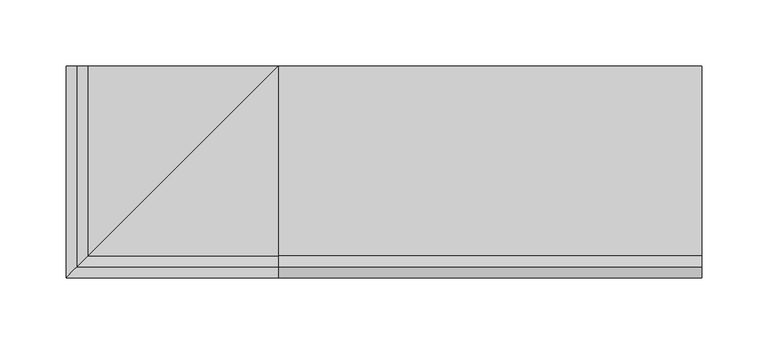
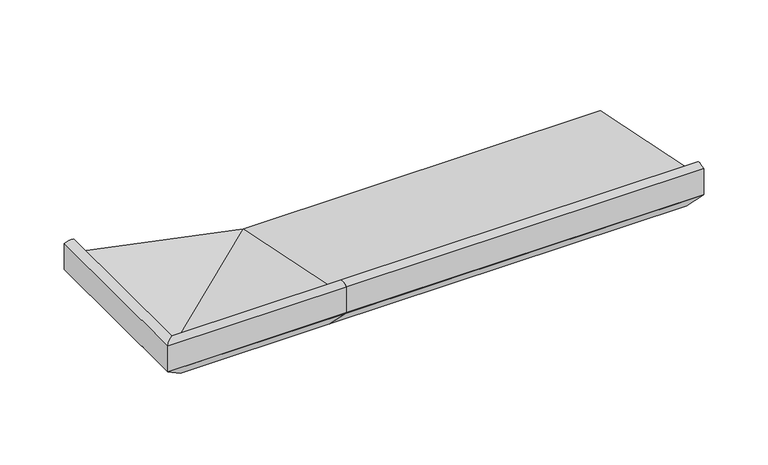
"""IFC4 building model written with IfcOpenShell, lengths in millimetres: proxy geometry."""

import ifcopenshell
import ifcopenshell.guid

model = None  # the IFC model being written
_history = None  # IfcOwnerHistory: only IFC2X3 demands one
_inside = {}  # id of a spatial element -> (the spatial element, [elements in it])
_under = {}  # id of a project, library or spatial element -> (it, [spatial elements below it])
_declared = {}  # id of a project -> (the project, [libraries it declares])
_typed = {}  # id of a type object -> (the type object, [elements of that type])
_made_of = {}  # id of a material, layer set ... -> (it, [elements and type objects made of it])


def new_model(schema):
    """Start an empty IFC model of exactly this schema.

    Asked for "IFC4X3", IfcOpenShell would pick the latest addendum, in which some entities
    have other attributes; the version numbers below select the first issue.
    IFC2X3 requires an IfcOwnerHistory on every rooted entity: one is made here for all.
    """
    global model, _history
    if schema == "IFC4X3":
        model = ifcopenshell.file(schema_version=(4, 3, 0, 0))
    else:
        model = ifcopenshell.file(schema=schema)
    _inside.clear()
    _under.clear()
    _declared.clear()
    _typed.clear()
    _made_of.clear()
    _history = None
    if model.schema == "IFC2X3":
        org = make("IfcOrganization", Name="unknown")
        user = make(
            "IfcPersonAndOrganization",
            ThePerson=make("IfcPerson", FamilyName="unknown"),
            TheOrganization=org,
        )
        app = make(
            "IfcApplication",
            ApplicationDeveloper=org,
            Version="unknown",
            ApplicationFullName="unknown",
            ApplicationIdentifier="unknown",
        )
        _history = make(
            "IfcOwnerHistory",
            OwningUser=user,
            OwningApplication=app,
            ChangeAction="ADDED",
            CreationDate=0,
        )
    return model


def make(cls, **values):
    """One entity of the class cls with the attributes given. An attribute that is None is left unset."""
    return model.create_entity(
        cls, **{name: value for name, value in values.items() if value is not None}
    )


def rooted(cls, **values):
    """An entity with a GlobalId (a new one), such as an element, a storey or a relation."""
    return make(cls, GlobalId=ifcopenshell.guid.new(), OwnerHistory=_history, **values)


def si_unit(unit_type, name, prefix=None):
    """IfcSIUnit, for example si_unit("LENGTHUNIT", "METRE", prefix="MILLI")."""
    return make("IfcSIUnit", UnitType=unit_type, Prefix=prefix, Name=name)


def assignment(units):
    """IfcUnitAssignment: the units of a project."""
    return None if units is None else make("IfcUnitAssignment", Units=units)


def point(xyz):
    """IfcCartesianPoint."""
    return None if xyz is None else make("IfcCartesianPoint", Coordinates=xyz)


def direction(xyz):
    """IfcDirection."""
    return None if xyz is None else make("IfcDirection", DirectionRatios=xyz)


def frame(location, z_axis=None, x_axis=None):
    """IfcAxis2Placement3D, a coordinate frame: its origin and axes. An axis left out is left unset."""
    return make(
        "IfcAxis2Placement3D",
        Location=point(location),
        Axis=direction(z_axis),
        RefDirection=direction(x_axis),
    )


def frame_2d(location, x_axis=None):
    """IfcAxis2Placement2D, a coordinate frame in the plane: its origin and x axis."""
    return make(
        "IfcAxis2Placement2D", Location=point(location), RefDirection=direction(x_axis)
    )


def origin():
    """The frame at (0, 0, 0) with its axes left unset."""
    return frame((0.0, 0.0, 0.0))


def place(relative_to, where):
    """IfcLocalPlacement: puts the frame where relative to a parent placement (None: the world)."""
    return make(
        "IfcLocalPlacement", PlacementRelTo=relative_to, RelativePlacement=where
    )


def context(
    kind, dimensions, precision=None, world=None, true_north=None, identifier=None
):
    """IfcGeometricRepresentationContext, for example the 3D "Model" context."""
    return make(
        "IfcGeometricRepresentationContext",
        ContextIdentifier=identifier,
        ContextType=kind,
        CoordinateSpaceDimension=dimensions,
        Precision=precision,
        WorldCoordinateSystem=world,
        TrueNorth=true_north,
    )


def project(units=None, contexts=None):
    """IfcProject with its units and contexts."""
    return rooted(
        "IfcProject",
        Name="project",
        RepresentationContexts=contexts,
        UnitsInContext=assignment(units),
    )


def spatial(cls, under=None, at=None, **own):
    """A site, building, storey or space (cls), placed at a placement, below another one or the project."""
    s = rooted(cls, ObjectPlacement=at, **own)
    if under is not None:
        _under.setdefault(under.id(), (under, []))[1].append(s)
    return s


def polyline(points):
    """IfcPolyline through the points."""
    return make("IfcPolyline", Points=[point(p) for p in points])


def circle_curve(where, radius):
    """IfcCircle in the frame where."""
    return make("IfcCircle", Position=where, Radius=radius)


def ellipse_curve(where, semi_axis1, semi_axis2):
    """IfcEllipse in the frame where."""
    return make(
        "IfcEllipse", Position=where, SemiAxis1=semi_axis1, SemiAxis2=semi_axis2
    )


def trimmed(basis, trim1, trim2, sense, master):
    """IfcTrimmedCurve: the piece of a basis curve between two trims."""
    return make(
        "IfcTrimmedCurve",
        BasisCurve=basis,
        Trim1=trim1,
        Trim2=trim2,
        SenseAgreement=sense,
        MasterRepresentation=master,
    )


def segment(curve, same_sense, transition):
    """IfcCompositeCurveSegment."""
    return make(
        "IfcCompositeCurveSegment",
        Transition=transition,
        SameSense=same_sense,
        ParentCurve=curve,
    )


def composite_curve(segments, self_intersect=None):
    """IfcCompositeCurve: segments joined end to end."""
    return make("IfcCompositeCurve", Segments=segments, SelfIntersect=self_intersect)


def outline(outer, holes=None, kind="AREA"):
    """IfcArbitraryClosedProfileDef: a profile drawn as a closed curve; with holes, ...WithVoids."""
    if holes is None:
        return make("IfcArbitraryClosedProfileDef", ProfileType=kind, OuterCurve=outer)
    return make(
        "IfcArbitraryProfileDefWithVoids",
        ProfileType=kind,
        OuterCurve=outer,
        InnerCurves=holes,
    )


def extrude(swept, where, along, depth):
    """IfcExtrudedAreaSolid: the profile swept, set in the frame where, extruded along a direction by depth."""
    return make(
        "IfcExtrudedAreaSolid",
        SweptArea=swept,
        Position=where,
        ExtrudedDirection=direction(along),
        Depth=depth,
    )


def shape(context_of_items, identifier, shape_type, items):
    """IfcShapeRepresentation: the items that make up one representation, for example the "Body"."""
    return make(
        "IfcShapeRepresentation",
        ContextOfItems=context_of_items,
        RepresentationIdentifier=identifier,
        RepresentationType=shape_type,
        Items=items,
    )


def source(mapping_origin, context_of_items, identifier, shape_type, items):
    """IfcRepresentationMap: a shape defined once, which mapped items show again and again."""
    return make(
        "IfcRepresentationMap",
        MappingOrigin=mapping_origin,
        MappedRepresentation=shape(context_of_items, identifier, shape_type, items),
    )


def transform(
    local_origin,
    x_axis=None,
    y_axis=None,
    z_axis=None,
    scale=None,
    scale2=None,
    scale3=None,
    uniform=True,
):
    """IfcCartesianTransformationOperator3D, or its non-uniform kind. x_axis, y_axis, z_axis: its Axis1, 2, 3."""
    if uniform:
        return make(
            "IfcCartesianTransformationOperator3D",
            Axis1=direction(x_axis),
            Axis2=direction(y_axis),
            LocalOrigin=point(local_origin),
            Scale=scale,
            Axis3=direction(z_axis),
        )
    return make(
        "IfcCartesianTransformationOperator3DnonUniform",
        Axis1=direction(x_axis),
        Axis2=direction(y_axis),
        LocalOrigin=point(local_origin),
        Scale=scale,
        Axis3=direction(z_axis),
        Scale2=scale2,
        Scale3=scale3,
    )


def mapped(mapping_source, mapping_target):
    """IfcMappedItem: shows the shape of a source again, moved by a transform."""
    return make(
        "IfcMappedItem", MappingSource=mapping_source, MappingTarget=mapping_target
    )


def made_of(thing, what):
    """Note that an element or type object is made of a material, layer set ...; save() writes the relation."""
    if what is not None:
        _made_of.setdefault(what.id(), (what, []))[1].append(thing)
    return thing


def element(
    cls,
    number,
    at=None,
    inside=None,
    cuts=None,
    type_object=None,
    material=None,
    context=None,
    identifier="Body",
    shape_type=None,
    held_by="IfcProductDefinitionShape",
    body=None,
    shapes=None,
    **own,
):
    """One element of the class cls, such as IfcWall. Its Tag is "e" and its number.

    at: its placement. inside: the storey or other place that contains it. cuts: it is an
    opening in that element (IfcRelVoidsElement). A single representation is given by context,
    identifier, shape_type and body (its items); several are given by shapes. held_by: the class
    of the entity that holds the representations. save() writes the other relations.
    """
    e = rooted(cls, Tag="e%d" % number, ObjectPlacement=at, **own)
    if body is not None:
        shapes = [shape(context, identifier, shape_type, body)]
    if shapes is not None:
        e.Representation = make(held_by, Representations=shapes)
    if inside is not None:
        _inside.setdefault(inside.id(), (inside, []))[1].append(e)
    if cuts is not None:
        rooted(
            "IfcRelVoidsElement", RelatingBuildingElement=cuts, RelatedOpeningElement=e
        )
    if type_object is not None:
        _typed.setdefault(type_object.id(), (type_object, []))[1].append(e)
    return made_of(e, material)


def aggregate(whole, parts):
    """IfcRelAggregates: a whole, such as a stair, and the parts it consists of."""
    return rooted("IfcRelAggregates", RelatingObject=whole, RelatedObjects=parts)


def save(model, path):
    """Write the relations noted so far, then the file.

    IfcRelAggregates (storeys below a building ...), IfcRelContainedInSpatialStructure (elements
    in a storey), IfcRelDefinesByType, IfcRelAssociatesMaterial and IfcRelDeclares: one each for
    every whole, place, type object, material and project.
    """
    for whole, parts in _under.values():
        aggregate(whole, parts)
    for where, things in _inside.values():
        rooted(
            "IfcRelContainedInSpatialStructure",
            RelatedElements=things,
            RelatingStructure=where,
        )
    for kind, things in _typed.values():
        rooted("IfcRelDefinesByType", RelatedObjects=things, RelatingType=kind)
    for what, things in _made_of.values():
        rooted("IfcRelAssociatesMaterial", RelatedObjects=things, RelatingMaterial=what)
    for by, libraries in _declared.values():
        rooted("IfcRelDeclares", RelatingContext=by, RelatedDefinitions=libraries)
    model.write(path)


def plane_surface(at):
    """IfcPlane: the flat surface through the origin of the frame at, square to its z axis."""
    return make("IfcPlane", Position=at)


def cylinder_surface(at, radius):
    """IfcCylindricalSurface: all points at the distance radius from the z axis of the frame at."""
    return make("IfcCylindricalSurface", Position=at, Radius=radius)


def advanced_brep(points, edges, surfaces, faces):
    """IfcAdvancedBrep: a solid bounded by faces that lie on surfaces and meet in shared edges.

    An edge is (start, end): straight between two places in points (the first is 0);
    or (start, end, curve); or (start, end, curve, False) where it runs against its curve.
    A face is (place in surfaces, loops), or (place, loops, False) where it looks against
    its surface's normal. A loop lists edges by number (the first is 1), with a minus sign
    where the edge is run from its end to its start. The first loop is the outer one.
    """
    corners = [point(p) for p in points]
    vertices = [make("IfcVertexPoint", VertexGeometry=c) for c in corners]
    made = []
    for start, end, *more in edges:
        made.append(
            make(
                "IfcEdgeCurve",
                EdgeStart=vertices[start],
                EdgeEnd=vertices[end],
                EdgeGeometry=more[0] if more else make("IfcPolyline", Points=[corners[start], corners[end]]),
                SameSense=more[1] if len(more) > 1 else True,
            )
        )
    hull = []
    for where, loops, *sense in faces:
        bounds = []
        for j, loop in enumerate(loops):
            ring = [make("IfcOrientedEdge", EdgeElement=made[abs(k) - 1], Orientation=k > 0) for k in loop]
            bounds.append(
                make(
                    "IfcFaceOuterBound" if j == 0 else "IfcFaceBound",
                    Bound=make("IfcEdgeLoop", EdgeList=ring),
                    Orientation=True,
                )
            )
        hull.append(make("IfcAdvancedFace", Bounds=bounds, FaceSurface=surfaces[where], SameSense=sense[0] if sense else True))
    return make("IfcAdvancedBrep", Outer=make("IfcClosedShell", CfsFaces=hull))


def generic_models_3103cd88(model_context):
    return source(origin(), model_context, "Body", "SolidModel", [
        advanced_brep(
        [(0.0, 16.9634146, 2.0714803), (0.0, 27.0536769, 0.9956448), (0.0, 27.0536769, 0.0), (0.0, 35.0, 0.0), (0.0, 35.0, 9.1871592), (0.0, -108.4970481, 38.6463845), (0.0, -116.6949035, 52.9234409), (0.0, -125.0, 51.2355304), (0.0, -125.0, 27.0076366), (0.0, -124.2741015, 25.9409736), (0.0, -98.3331279, 0.0), (0.0, -84.3282852, 0.0), (0.0, -84.3282852, 7.9636602), (0.0, -71.9994005, 7.9636602), (0.0, -71.9994005, 0.0), (0.0, -51.9659993, 0.0), (0.0, -51.9659993, 5.0), (0.0, -38.9970202, 5.0), (0.0, -38.9970202, 0.0), (0.0, -18.9957985, 0.0), (0.0, -18.9957985, 4.0148089), (0.0, -7.0449052, 4.0148089), (0.0, -7.0449052, 0.0), (0.0, 16.9634146, 0.0), (-18.0365854, 35.0, 2.0714803), (-18.0365854, 35.0, 0.0), (-42.0449052, 35.0, 0.0), (-42.0449052, 35.0, 4.0148089), (-53.9957985, 35.0, 4.0148089), (-53.9957985, 35.0, 0.0), (-73.9970202, 35.0, 0.0), (-73.9970202, 35.0, 5.0), (-86.9659993, 35.0, 5.0), (-86.9659993, 35.0, 0.0), (-106.9994005, 35.0, 0.0), (-106.9994005, 35.0, 7.9636602), (-119.3282852, 35.0, 7.9636602), (-119.3282852, 35.0, 0.0), (-133.3331279, 35.0, 0.0), (-159.2741015, 35.0, 25.9409736), (-160.0, 35.0, 27.0076366), (-160.0, 35.0, 51.2355304), (-151.6949035, 35.0, 52.9234409), (-143.4970481, 35.0, 38.6463845), (-7.9463231, 35.0, 0.0), (-7.9463231, 35.0, 0.9956448), (-18.0365854, 16.9634146, 2.0714803), (-7.9463231, 27.0536769, 0.9956448), (-7.9463231, 27.0536769, 0.0), (-143.4970481, -108.4970481, 38.6463845), (-151.6949035, -116.6949035, 52.9234409), (-160.0, -125.0, 51.2355304), (-160.0, -125.0, 27.0076366), (-159.2741015, -124.2741015, 25.9409736), (-133.3331279, -98.3331279, 0.0), (-119.3282852, -84.3282852, 0.0), (-119.3282852, -84.3282852, 7.9636602), (-106.9994005, -71.9994005, 7.9636602), (-106.9994005, -71.9994005, 0.0), (-86.9659993, -51.9659993, 0.0), (-86.9659993, -51.9659993, 5.0), (-73.9970202, -38.9970202, 5.0), (-73.9970202, -38.9970202, 0.0), (-53.9957985, -18.9957985, 0.0), (-53.9957985, -18.9957985, 4.0148089), (-42.0449052, -7.0449052, 4.0148089), (-42.0449052, -7.0449052, 0.0), (-18.0365854, 16.9634146, 0.0)],
        [
            (0, 1),
            (1, 2),
            (2, 3),
            (3, 4),
            (4, 5),
            (5, 6),
            (6, 7, circle_curve(frame((0.0, -118.9446027, 42.7168184), z_axis=(1.0, 0.0, 0.0), x_axis=(0.0, 1.0000000000000002, 0.0)), 10.4516166)),
            (7, 8),
            (8, 9, circle_curve(frame((0.0, -121.8315077, 28.3835674), z_axis=(1.0, 0.0, 0.0), x_axis=(0.0, 1.0000000000000002, 0.0)), 3.4543493)),
            (9, 10),
            (10, 11),
            (11, 12),
            (12, 13),
            (13, 14),
            (14, 15),
            (15, 16),
            (16, 17),
            (17, 18),
            (18, 19),
            (19, 20),
            (20, 21),
            (21, 22),
            (22, 23),
            (23, 0),
            (24, 25),
            (25, 26),
            (26, 27),
            (27, 28),
            (28, 29),
            (29, 30),
            (30, 31),
            (31, 32),
            (32, 33),
            (33, 34),
            (34, 35),
            (35, 36),
            (36, 37),
            (37, 38),
            (38, 39),
            (39, 40, circle_curve(frame((-156.8315077, 35.0, 28.3835674), z_axis=(0.0, 1.0, 0.0), x_axis=(1.0000000000000002, 0.0, 0.0)), 3.4543493)),
            (40, 41),
            (41, 42, circle_curve(frame((-153.9446027, 35.0, 42.7168184), z_axis=(0.0, 1.0, 0.0), x_axis=(1.0000000000000002, 0.0, 0.0)), 10.4516166)),
            (42, 43),
            (43, 4),
            (3, 44),
            (44, 45),
            (45, 24),
            (0, 46),
            (46, 47),
            (47, 1),
            (47, 48),
            (48, 2),
            (48, 44),
            (4, 49),
            (49, 5),
            (49, 50),
            (50, 6),
            (50, 51, ellipse_curve(frame((-153.9446027, -118.9446027, 42.7168184), z_axis=(0.7071067811865446, -0.7071067811865503, 0.0), x_axis=(0.7071067811865506, 0.7071067811865445, 0.0)), 14.780818, 10.4516166)),
            (51, 7),
            (51, 52),
            (52, 8),
            (52, 53, ellipse_curve(frame((-156.8315077, -121.8315077, 28.3835674), z_axis=(0.7071067811865446, -0.7071067811865503, 0.0), x_axis=(0.7071067811865506, 0.7071067811865445, 0.0)), 4.8851877, 3.4543493)),
            (53, 9),
            (53, 54),
            (54, 10),
            (54, 38),
            (37, 55),
            (55, 11),
            (55, 56),
            (56, 12),
            (56, 36),
            (35, 57),
            (57, 13),
            (57, 58),
            (58, 14),
            (58, 34),
            (33, 59),
            (59, 15),
            (59, 60),
            (60, 16),
            (60, 32),
            (31, 61),
            (61, 17),
            (61, 62),
            (62, 18),
            (62, 30),
            (29, 63),
            (63, 19),
            (63, 64),
            (64, 20),
            (64, 28),
            (27, 65),
            (65, 21),
            (65, 66),
            (66, 22),
            (66, 26),
            (25, 67),
            (67, 23),
            (67, 46),
            (46, 24),
            (45, 47),
            (43, 49),
            (42, 50),
            (41, 51),
            (40, 52),
            (39, 53),
        ],
        [
            plane_surface(frame((0.0, -46.0, 0.0), z_axis=(1.0, 0.0, 0.0), x_axis=(0.0, 0.0, 1.0))),
            plane_surface(frame((-81.0, 35.0, 0.0), z_axis=(0.0, 1.0, 0.0), x_axis=(0.0, 0.0, 1.0))),
            plane_surface(frame((0.0, 16.9634146, 2.0714803), z_axis=(0.0, -0.1060202410059177, -0.9943639718418237), x_axis=(-1.0, 0.0, 0.0))),
            plane_surface(frame((0.0, 27.0536769, 0.9956448), z_axis=(0.0, -1.0, 0.0), x_axis=(-1.0, 0.0, 0.0))),
            plane_surface(frame((0.0, 27.0536769, 0.0), z_axis=(0.0, 0.0, -1.0), x_axis=(-1.0, 0.0, 0.0))),
            plane_surface(frame((0.0, 35.0, 9.1871592), z_axis=(0.0, 0.20110092371128918, 0.9795705275693355), x_axis=(-1.0, 0.0, 0.0))),
            plane_surface(frame((0.0, -108.4970481, 38.6463845), z_axis=(0.0, 0.867206740138978, 0.49794826022140826), x_axis=(-1.0, 0.0, 0.0))),
            cylinder_surface(frame((0.0, -118.9446027, 42.7168184), z_axis=(1.0000000000000002, 0.0, 0.0), x_axis=(0.0, 1.0000000000000002, 0.0)), 10.4516166),
            plane_surface(frame((0.0, -125.0, 51.2355304), z_axis=(0.0, -1.0, 0.0), x_axis=(-1.0, 0.0, 0.0))),
            cylinder_surface(frame((0.0, -121.8315077, 28.3835674), z_axis=(1.0000000000000002, 0.0, 0.0), x_axis=(0.0, 1.0000000000000002, 0.0)), 3.4543493),
            plane_surface(frame((0.0, -124.2741015, 25.9409736), z_axis=(0.0, -0.707106781186547, -0.707106781186548), x_axis=(-1.0, 0.0, 0.0))),
            plane_surface(frame((0.0, -98.3331279, 0.0), z_axis=(0.0, 0.0, -1.0), x_axis=(-1.0, 0.0, 0.0))),
            plane_surface(frame((0.0, -84.3282852, 0.0), z_axis=(0.0, 1.0, 0.0), x_axis=(-1.0, 0.0, 0.0))),
            plane_surface(frame((0.0, -84.3282852, 7.9636602), z_axis=(0.0, 0.0, -1.0), x_axis=(-1.0, 0.0, 0.0))),
            plane_surface(frame((0.0, -71.9994005, 7.9636602), z_axis=(0.0, -1.0, 0.0), x_axis=(-1.0, 0.0, 0.0))),
            plane_surface(frame((0.0, -71.9994005, 0.0), z_axis=(0.0, 0.0, -1.0), x_axis=(-1.0, 0.0, 0.0))),
            plane_surface(frame((0.0, -51.9659993, 0.0), z_axis=(0.0, 1.0, 0.0), x_axis=(-1.0, 0.0, 0.0))),
            plane_surface(frame((0.0, -51.9659993, 5.0), z_axis=(0.0, 0.0, -1.0), x_axis=(-1.0, 0.0, 0.0))),
            plane_surface(frame((0.0, -38.9970202, 5.0), z_axis=(0.0, -1.0, 0.0), x_axis=(-1.0, 0.0, 0.0))),
            plane_surface(frame((0.0, -38.9970202, 0.0), z_axis=(0.0, 0.0, -1.0), x_axis=(-1.0, 0.0, 0.0))),
            plane_surface(frame((0.0, -18.9957985, 0.0), z_axis=(0.0, 1.0, 0.0), x_axis=(-1.0, 0.0, 0.0))),
            plane_surface(frame((0.0, -18.9957985, 4.0148089), z_axis=(0.0, 0.0, -1.0), x_axis=(-1.0, 0.0, 0.0))),
            plane_surface(frame((0.0, -7.0449052, 4.0148089), z_axis=(0.0, -1.0, 0.0), x_axis=(-1.0, 0.0, 0.0))),
            plane_surface(frame((0.0, -7.0449052, 0.0), z_axis=(0.0, 0.0, -1.0), x_axis=(-1.0, 0.0, 0.0))),
            plane_surface(frame((0.0, 16.9634146, 0.0), z_axis=(0.0, 1.0, 0.0), x_axis=(-1.0, 0.0, 0.0))),
            plane_surface(frame((-18.0365854, 16.9634146, 2.0714803), z_axis=(-0.1060202410059177, 0.0, -0.9943639718418237), x_axis=(0.0, 1.0, 0.0))),
            plane_surface(frame((-7.9463231, 27.0536769, 0.9956448), z_axis=(-1.0, 0.0, 0.0), x_axis=(0.0, 1.0, 0.0))),
            plane_surface(frame((0.0, 35.0, 9.1871592), z_axis=(0.20110092371128918, 0.0, 0.9795705275693355), x_axis=(0.0, 1.0, 0.0))),
            plane_surface(frame((-143.4970481, -108.4970481, 38.6463845), z_axis=(0.867206740138978, 0.0, 0.49794826022140826), x_axis=(0.0, 1.0, 0.0))),
            cylinder_surface(frame((-153.9446027, -46.0, 42.7168184), z_axis=(0.0, -1.0000000000000002, 0.0), x_axis=(1.0000000000000002, 0.0, 0.0)), 10.4516166),
            plane_surface(frame((-160.0, -125.0, 51.2355304), z_axis=(-1.0, 0.0, 0.0), x_axis=(0.0, 1.0, 0.0))),
            cylinder_surface(frame((-156.8315077, -46.0, 28.3835674), z_axis=(0.0, -1.0000000000000002, 0.0), x_axis=(1.0000000000000002, 0.0, 0.0)), 3.4543493),
            plane_surface(frame((-159.2741015, -124.2741015, 25.9409736), z_axis=(-0.707106781186547, 0.0, -0.707106781186548), x_axis=(0.0, 1.0, 0.0))),
            plane_surface(frame((-119.3282852, -84.3282852, 0.0), z_axis=(1.0, 0.0, 0.0), x_axis=(0.0, 1.0, 0.0))),
            plane_surface(frame((-106.9994005, -71.9994005, 7.9636602), z_axis=(-1.0, 0.0, 0.0), x_axis=(0.0, 1.0, 0.0))),
            plane_surface(frame((-86.9659993, -51.9659993, 0.0), z_axis=(1.0, 0.0, 0.0), x_axis=(0.0, 1.0, 0.0))),
            plane_surface(frame((-73.9970202, -38.9970202, 5.0), z_axis=(-1.0, 0.0, 0.0), x_axis=(0.0, 1.0, 0.0))),
            plane_surface(frame((-53.9957985, -18.9957985, 0.0), z_axis=(1.0, 0.0, 0.0), x_axis=(0.0, 1.0, 0.0))),
            plane_surface(frame((-42.0449052, -7.0449052, 4.0148089), z_axis=(-1.0, 0.0, 0.0), x_axis=(0.0, 1.0, 0.0))),
            plane_surface(frame((-18.0365854, 16.9634146, 0.0), z_axis=(1.0, 0.0, 0.0), x_axis=(0.0, 1.0, 0.0))),
        ],
        [
            (0, [[1, 2, 3, 4, 5, 6, 7, 8, 9, 10, 11, 12, 13, 14, 15, 16, 17, 18, 19, 20, 21, 22, 23, 24]]),
            (1, [[25, 26, 27, 28, 29, 30, 31, 32, 33, 34, 35, 36, 37, 38, 39, 40, 41, 42, 43, 44, -4, 45, 46, 47]]),
            (2, [[-1, 48, 49, 50]]),
            (3, [[-2, -50, 51, 52]]),
            (4, [[-3, -52, 53, -45]]),
            (5, [[-5, 54, 55]]),
            (6, [[-6, -55, 56, 57]]),
            (7, [[-7, -57, 58, 59]]),
            (8, [[-8, -59, 60, 61]]),
            (9, [[-9, -61, 62, 63]]),
            (10, [[-10, -63, 64, 65]]),
            (11, [[-11, -65, 66, -38, 67, 68]]),
            (12, [[-12, -68, 69, 70]]),
            (13, [[-13, -70, 71, -36, 72, 73]]),
            (14, [[-14, -73, 74, 75]]),
            (15, [[-15, -75, 76, -34, 77, 78]]),
            (16, [[-16, -78, 79, 80]]),
            (17, [[-17, -80, 81, -32, 82, 83]]),
            (18, [[-18, -83, 84, 85]]),
            (19, [[-19, -85, 86, -30, 87, 88]]),
            (20, [[-20, -88, 89, 90]]),
            (21, [[-21, -90, 91, -28, 92, 93]]),
            (22, [[-22, -93, 94, 95]]),
            (23, [[-23, -95, 96, -26, 97, 98]]),
            (24, [[-24, -98, 99, -48]]),
            (25, [[-49, 100, -47, 101]]),
            (26, [[-51, -101, -46, -53]]),
            (27, [[-54, -44, 102]]),
            (28, [[-56, -102, -43, 103]]),
            (29, [[-58, -103, -42, 104]]),
            (30, [[-60, -104, -41, 105]]),
            (31, [[-62, -105, -40, 106]]),
            (32, [[-64, -106, -39, -66]]),
            (33, [[-69, -67, -37, -71]]),
            (34, [[-74, -72, -35, -76]]),
            (35, [[-79, -77, -33, -81]]),
            (36, [[-84, -82, -31, -86]]),
            (37, [[-89, -87, -29, -91]]),
            (38, [[-94, -92, -27, -96]]),
            (39, [[-99, -97, -25, -100]]),
        ],
    ),
        extrude(outline(composite_curve([segment(polyline([(16.9634146, 2.0714803), (16.9634146, 0.0), (-7.0449052, 0.0), (-7.0449052, 4.0148089), (-18.9957985, 4.0148089), (-18.9957985, 0.0), (-38.9970202, 0.0), (-38.9970202, 5.0), (-51.9659993, 5.0), (-51.9659993, 0.0), (-71.9994005, 0.0), (-71.9994005, 7.9636602), (-84.3282852, 7.9636602), (-84.3282852, 0.0), (-98.3331279, 0.0), (-124.2741015, 25.9409736)]), True, "CONTINUOUS"), segment(trimmed(circle_curve(frame_2d((-121.8315077, 28.3835674)), 3.4543493), [point((-124.2741015, 25.9409736))], [point((-125.0, 27.0076366))], False, "CARTESIAN"), True, "CONTINUOUS"), segment(polyline([(-125.0, 27.0076366), (-125.0, 51.2355304)]), True, "CONTINUOUS"), segment(trimmed(circle_curve(frame_2d((-118.9446027, 42.7168184)), 10.4516166), [point((-125.0, 51.2355304))], [point((-116.6949035, 52.9234409))], False, "CARTESIAN"), True, "CONTINUOUS"), segment(polyline([(-116.6949035, 52.9234409), (-108.4970481, 38.6463845), (35.0, 9.1871592), (35.0, 0.0), (27.0536769, 0.0), (27.0536769, 0.9956448), (16.9634146, 2.0714803)]), True, "CONTINUOUS")], self_intersect=False)), frame((0.0, 0.0, 0.0), z_axis=(1.0, 0.0, 0.0), x_axis=(0.0, 1.0, 0.0)), (0.0, 0.0, 1.0), 320.0),
    ])


if __name__ == "__main__":
    model = new_model("IFC4")
    model_context = context("Model", 3, world=origin())
    ifc_project = project(units=[si_unit("LENGTHUNIT", "METRE", prefix="MILLI")], contexts=[model_context])
    site = spatial("IfcSite", under=ifc_project)
    building = spatial("IfcBuilding", under=site)
    placement = place(None, origin())
    generic_models_shape = generic_models_3103cd88(model_context)
    element("IfcBuildingElementProxy", 1, Name="Generic Models", at=placement, inside=building, context=model_context, shape_type="MappedRepresentation", body=[
        mapped(generic_models_shape, transform((0.0, 0.0, 0.0), x_axis=(1.0, 0.0, 0.0), y_axis=(0.0, 1.0, 0.0), z_axis=(0.0, 0.0, 1.0))),
    ])
    save(model, "model.ifc")
